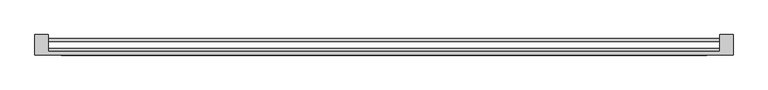
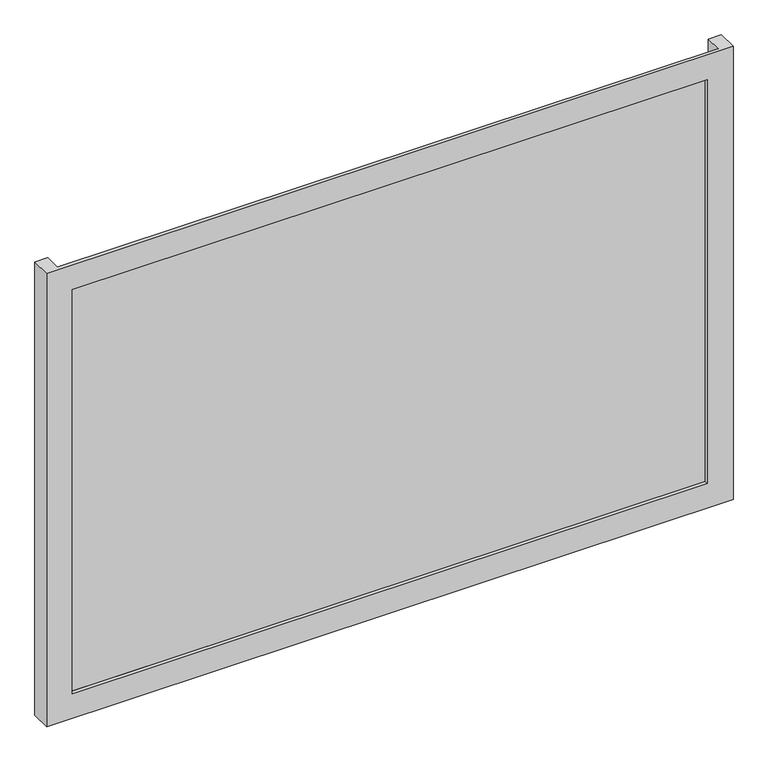
"""IFC4 building model written with IfcOpenShell, lengths in millimetres: plate geometry."""

from ifc_helpers import new_model, si_unit, origin, origin_with_axes, place, context, project, spatial, polyline, outline, extrude, faceted_brep, source, transform, mapped, element, save


def plate_7f38def1(model_context):
    return source(origin(), model_context, "Body", "SolidModel", [
        faceted_brep([(662.5, -50.8, -50.0), (662.5, -89.8, -50.0), (-662.5, -89.8, -50.0), (-662.5, -50.8, -50.0), (-637.5, -50.8, -50.0), (-637.5, -82.8, -50.0), (637.5, -82.8, -50.0), (637.5, -50.8, -50.0), (612.5, -89.8, 0.0), (612.5, -82.8, 0.0), (-612.5, -82.8, 0.0), (-612.5, -89.8, 0.0), (662.5, -89.8, 875.0), (-662.5, -89.8, 875.0), (-612.5, -89.8, 825.0), (612.5, -89.8, 825.0), (-637.5, -82.8, 875.0), (637.5, -82.8, 875.0), (612.5, -82.8, 825.0), (-612.5, -82.8, 825.0), (662.5, -50.8, 875.0), (637.5, -50.8, 875.0), (-637.5, -50.8, 875.0), (-662.5, -50.8, 875.0)], [[[0, 1, 2, 3, 4, 5, 6, 7]], [[8, 9, 10, 11]], [[12, 13, 2, 1], [11, 14, 15, 8]], [[16, 17, 6, 5], [9, 18, 19, 10]], [[20, 21, 17, 16, 22, 23, 13, 12]], [[20, 0, 7, 21]], [[21, 7, 6, 17]], [[8, 15, 18, 9]], [[12, 1, 0, 20]], [[22, 4, 3, 23]], [[16, 5, 4, 22]], [[10, 19, 14, 11]], [[23, 3, 2, 13]], [[18, 15, 14, 19]]]),
        extrude(outline(polyline([(637.5, -76.8), (637.5, -82.8), (-637.5, -82.8), (-637.5, -76.8), (637.5, -76.8)])), origin_with_axes(), (0.0, 0.0, 1.0), 825.0),
        extrude(outline(polyline([(637.5, -64.2), (-637.5, -64.2), (-637.5, -57.8), (637.5, -57.8), (637.5, -64.2)])), origin_with_axes(), (0.0, 0.0, 1.0), 825.0),
    ])


if __name__ == "__main__":
    model = new_model("IFC4")
    model_context = context("Model", 3, world=origin())
    ifc_project = project(units=[si_unit("LENGTHUNIT", "METRE", prefix="MILLI")], contexts=[model_context])
    site = spatial("IfcSite", under=ifc_project)
    building = spatial("IfcBuilding", under=site)
    placement = place(None, origin())
    plate_shape = plate_7f38def1(model_context)
    element("IfcPlate", 1, at=placement, inside=building, context=model_context, shape_type="MappedRepresentation", body=[
        mapped(plate_shape, transform((0.0, 0.0, 0.0), x_axis=(1.0, 0.0, 0.0), y_axis=(0.0, 1.0, 0.0), z_axis=(0.0, 0.0, 1.0))),
    ])
    save(model, "model.ifc")
